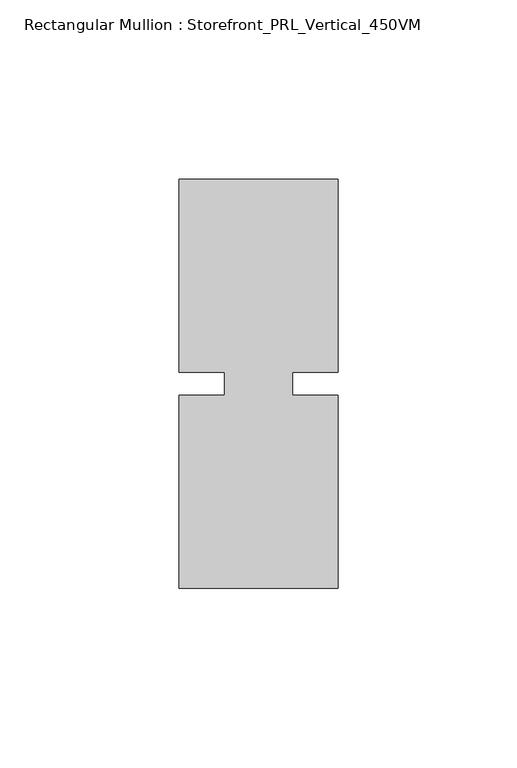
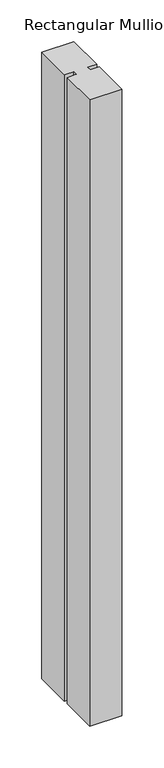
"""IFC4 building model written with IfcOpenShell, lengths in millimetres: member geometry, Rectangular Mullion : Storefront_PRL_Vertical_450VM."""

from ifc_helpers import new_model, si_unit, frame, origin, place, context, project, spatial, polyline, outline, extrude, source, transform, mapped, element, save


def rectangular_mullion_storefront_prl_vertical_450vm_7035058c(model_context):
    return source(origin(), model_context, "Body", "SweptSolid", [
        extrude(outline(polyline([(-9.525, -3.175), (-9.525, 3.175), (-22.225, 3.175), (-22.225, 57.15), (22.225, 57.15), (22.225, 3.175), (9.525, 3.175), (9.525, -3.175), (22.225, -3.175), (22.225, -57.15), (-22.225, -57.15), (-22.225, -3.175), (-9.525, -3.175)])), frame((0.0, 0.0, -914.4), z_axis=(0.0, 0.0, 1.0), x_axis=(1.0, 0.0, 0.0)), (0.0, 0.0, 1.0), 914.4),
    ])


if __name__ == "__main__":
    model = new_model("IFC4")
    model_context = context("Model", 3, world=origin())
    ifc_project = project(units=[si_unit("LENGTHUNIT", "METRE", prefix="MILLI")], contexts=[model_context])
    site = spatial("IfcSite", under=ifc_project)
    building = spatial("IfcBuilding", under=site)
    placement = place(None, origin())
    rectangular_mullion_storefront_prl_vertical_450vm_shape = rectangular_mullion_storefront_prl_vertical_450vm_7035058c(model_context)
    element("IfcMember", 1, ObjectType="Rectangular Mullion : Storefront_PRL_Vertical_450VM", at=placement, inside=building, context=model_context, shape_type="MappedRepresentation", body=[
        mapped(rectangular_mullion_storefront_prl_vertical_450vm_shape, transform((0.0, 0.0, 0.0), x_axis=(1.0, 0.0, 0.0), y_axis=(0.0, 1.0, 0.0), z_axis=(0.0, 0.0, 1.0))),
    ])
    save(model, "model.ifc")
